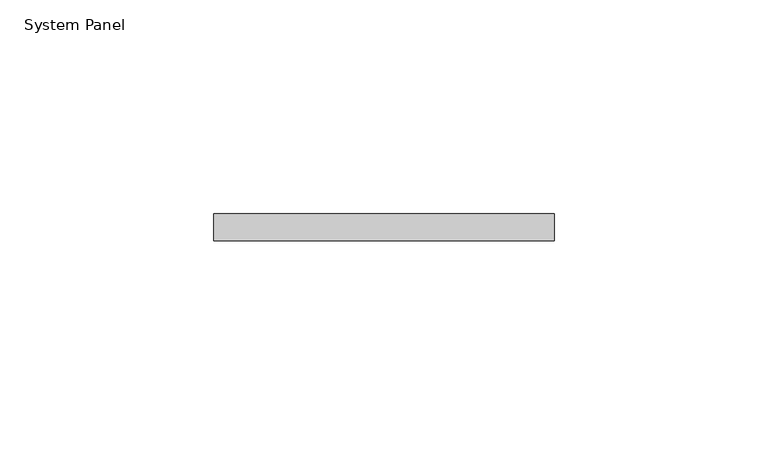
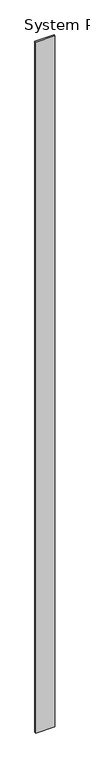
"""IFC4 building model written with IfcOpenShell, lengths in millimetres: plate geometry, System Panel."""

from ifc_helpers import new_model, si_unit, origin, origin_with_axes, place, context, project, spatial, polyline, outline, extrude, source, transform, mapped, element, save


def system_panel_09f347c8(model_context):
    return source(origin(), model_context, "Body", "SweptSolid", [
        extrude(outline(polyline([(39.8878601, -15.08125), (-39.8878601, -15.08125), (-39.8878601, -8.73125), (39.8878601, -8.73125), (39.8878601, -15.08125)])), origin_with_axes(), (0.0, 0.0, 1.0), 3048.0),
    ])


if __name__ == "__main__":
    model = new_model("IFC4")
    model_context = context("Model", 3, world=origin())
    ifc_project = project(units=[si_unit("LENGTHUNIT", "METRE", prefix="MILLI")], contexts=[model_context])
    site = spatial("IfcSite", under=ifc_project)
    building = spatial("IfcBuilding", under=site)
    placement = place(None, origin())
    system_panel_shape = system_panel_09f347c8(model_context)
    element("IfcPlate", 1, ObjectType="System Panel", at=placement, inside=building, context=model_context, shape_type="MappedRepresentation", body=[
        mapped(system_panel_shape, transform((0.0, 0.0, 0.0), x_axis=(1.0, 0.0, 0.0), y_axis=(0.0, 1.0, 0.0), z_axis=(0.0, 0.0, 1.0))),
    ])
    save(model, "model.ifc")
